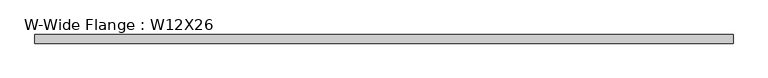
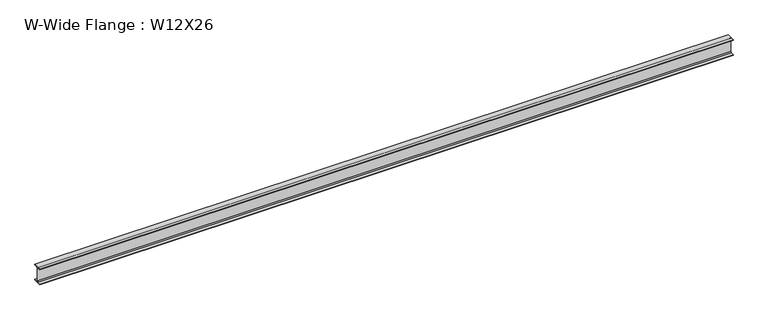
"""IFC4 building model written with IfcOpenShell, lengths in millimetres: beam geometry, W-Wide Flange : W12X26."""

from ifc_helpers import new_model, si_unit, point, frame, frame_2d, origin, place, context, project, spatial, polyline, circle_curve, trimmed, segment, composite_curve, outline, extrude, source, transform, mapped, element, save


def w_wide_flange_w12x26_532211bb(model_context):
    return source(origin(), model_context, "Body", "SweptSolid", [
        extrude(outline(composite_curve([segment(polyline([(82.4011719, -145.5539063), (82.4011719, -155.178125), (-82.4011719, -155.178125), (-82.4011719, -145.5539063), (-20.2902344, -145.5539063)]), True, "CONTINUOUS"), segment(trimmed(circle_curve(frame_2d((-20.2902344, -128.190625)), 17.3632812), [point((-20.2902344, -145.5539063))], [point((-2.9269531, -128.190625))], True, "CARTESIAN"), True, "CONTINUOUS"), segment(polyline([(-2.9269531, -128.190625), (-2.9269531, 128.190625)]), True, "CONTINUOUS"), segment(trimmed(circle_curve(frame_2d((-20.2902344, 128.190625)), 17.3632812), [point((-2.9269531, 128.190625))], [point((-20.2902344, 145.5539062))], True, "CARTESIAN"), True, "CONTINUOUS"), segment(polyline([(-20.2902344, 145.5539062), (-82.4011719, 145.5539062), (-82.4011719, 155.178125), (82.4011719, 155.178125), (82.4011719, 145.5539062), (20.2902344, 145.5539062)]), True, "CONTINUOUS"), segment(trimmed(circle_curve(frame_2d((20.2902344, 128.190625)), 17.3632812), [point((20.2902344, 145.5539062))], [point((2.9269531, 128.190625))], True, "CARTESIAN"), True, "CONTINUOUS"), segment(polyline([(2.9269531, 128.190625), (2.9269531, -128.190625)]), True, "CONTINUOUS"), segment(trimmed(circle_curve(frame_2d((20.2902344, -128.190625)), 17.3632812), [point((2.9269531, -128.190625))], [point((20.2902344, -145.5539063))], True, "CARTESIAN"), True, "CONTINUOUS"), segment(polyline([(20.2902344, -145.5539063), (82.4011719, -145.5539063)]), True, "CONTINUOUS")], self_intersect=False)), frame((-6677.3951383, 0.0, 0.0), z_axis=(1.0, 0.0, 0.0), x_axis=(0.0, 1.0, 0.0)), (0.0, 0.0, 1.0), 13354.7902767),
    ])


if __name__ == "__main__":
    model = new_model("IFC4")
    model_context = context("Model", 3, world=origin())
    ifc_project = project(units=[si_unit("LENGTHUNIT", "METRE", prefix="MILLI")], contexts=[model_context])
    site = spatial("IfcSite", under=ifc_project)
    building = spatial("IfcBuilding", under=site)
    placement = place(None, origin())
    w_wide_flange_w12x26_shape = w_wide_flange_w12x26_532211bb(model_context)
    element("IfcBeam", 1, ObjectType="W-Wide Flange : W12X26", at=placement, inside=building, context=model_context, shape_type="MappedRepresentation", body=[
        mapped(w_wide_flange_w12x26_shape, transform((0.0, 0.0, 0.0), x_axis=(1.0, 0.0, 0.0), y_axis=(0.0, 1.0, 0.0), z_axis=(0.0, 0.0, 1.0))),
    ])
    save(model, "model.ifc")
